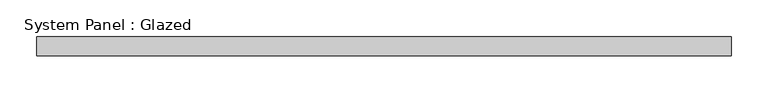
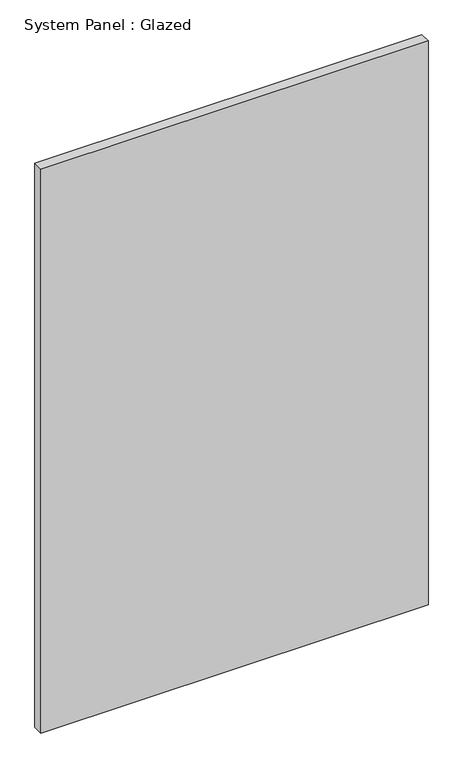
"""IFC4 building model written with IfcOpenShell, lengths in millimetres: plate geometry, System Panel : Glazed."""

from ifc_helpers import new_model, si_unit, origin, origin_with_axes, place, context, project, spatial, polyline, outline, extrude, source, transform, mapped, element, save


def system_panel_glazed_13d70a23(model_context):
    return source(origin(), model_context, "Body", "SweptSolid", [
        extrude(outline(polyline([(469.9, -44.45), (-469.9, -44.45), (-469.9, -19.05), (469.9, -19.05), (469.9, -44.45)])), origin_with_axes(), (0.0, 0.0, 1.0), 1447.8),
    ])


if __name__ == "__main__":
    model = new_model("IFC4")
    model_context = context("Model", 3, world=origin())
    ifc_project = project(units=[si_unit("LENGTHUNIT", "METRE", prefix="MILLI")], contexts=[model_context])
    site = spatial("IfcSite", under=ifc_project)
    building = spatial("IfcBuilding", under=site)
    placement = place(None, origin())
    system_panel_glazed_shape = system_panel_glazed_13d70a23(model_context)
    element("IfcPlate", 1, ObjectType="System Panel : Glazed", at=placement, inside=building, context=model_context, shape_type="MappedRepresentation", body=[
        mapped(system_panel_glazed_shape, transform((0.0, 0.0, 0.0), x_axis=(1.0, 0.0, 0.0), y_axis=(0.0, 1.0, 0.0), z_axis=(0.0, 0.0, 1.0))),
    ])
    save(model, "model.ifc")
